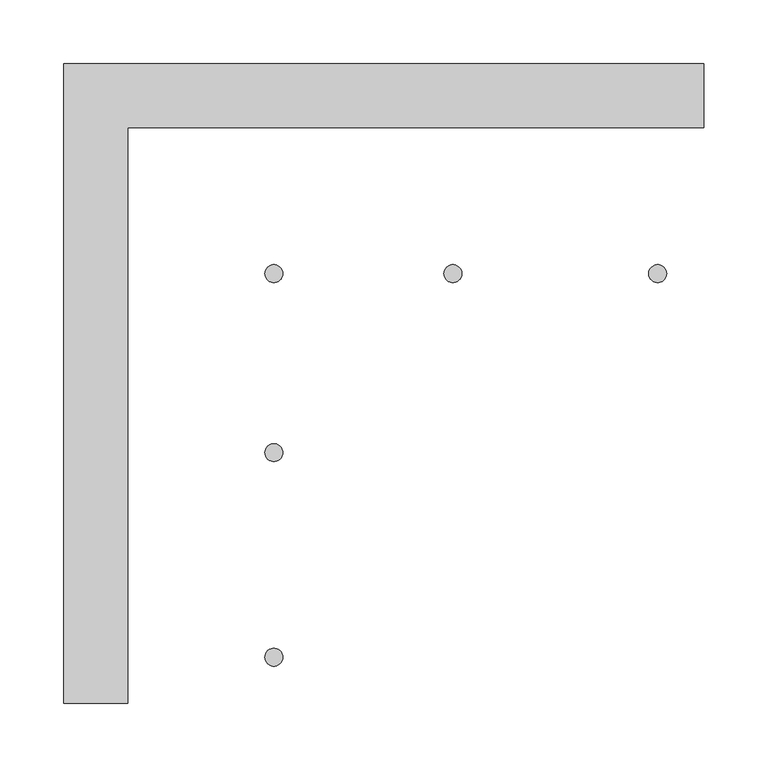
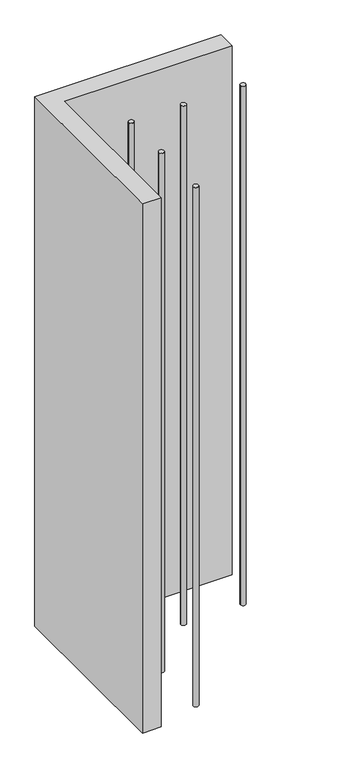
"""IFC4 building model written with IfcOpenShell, lengths in millimetres: proxy geometry."""

from ifc_helpers import new_model, si_unit, point, frame_2d, origin, origin_with_axes, place, context, project, spatial, polyline, circle_curve, trimmed, segment, composite_curve, outline, extrude, source, transform, mapped, element, save


def generic_models_e4650608(model_context):
    return source(origin(), model_context, "Body", "SweptSolid", [
        extrude(outline(composite_curve([segment(trimmed(circle_curve(frame_2d((12.0, 12.0)), 7.0), [point((19.0, 12.0))], [point((5.0, 12.0))], False, "CARTESIAN"), True, "CONTINUOUS"), segment(trimmed(circle_curve(frame_2d((12.0, 12.0)), 7.0), [point((5.0, 12.0))], [point((19.0, 12.0))], False, "CARTESIAN"), True, "CONTINUOUS")], self_intersect=False)), origin_with_axes(), (0.0, 0.0, 1.0), 1471.0846144),
        extrude(outline(composite_curve([segment(trimmed(circle_curve(frame_2d((140.0, 12.0)), 7.0), [point((133.0, 12.0))], [point((147.0, 12.0))], False, "CARTESIAN"), True, "CONTINUOUS"), segment(trimmed(circle_curve(frame_2d((140.0, 12.0)), 7.0), [point((147.0, 12.0))], [point((133.0, 12.0))], False, "CARTESIAN"), True, "CONTINUOUS")], self_intersect=False)), origin_with_axes(), (0.0, 0.0, 1.0), 1471.0846144),
        extrude(outline(composite_curve([segment(trimmed(circle_curve(frame_2d((12.0, 172.0)), 7.0), [point((5.0, 172.0))], [point((19.0, 172.0))], False, "CARTESIAN"), True, "CONTINUOUS"), segment(trimmed(circle_curve(frame_2d((12.0, 172.0)), 7.0), [point((19.0, 172.0))], [point((5.0, 172.0))], False, "CARTESIAN"), True, "CONTINUOUS")], self_intersect=False)), origin_with_axes(), (0.0, 0.0, 1.0), 1471.0846144),
        extrude(outline(composite_curve([segment(trimmed(circle_curve(frame_2d((140.0, 172.0)), 7.0), [point((133.0, 172.0))], [point((147.0, 172.0))], False, "CARTESIAN"), True, "CONTINUOUS"), segment(trimmed(circle_curve(frame_2d((140.0, 172.0)), 7.0), [point((147.0, 172.0))], [point((133.0, 172.0))], False, "CARTESIAN"), True, "CONTINUOUS")], self_intersect=False)), origin_with_axes(), (0.0, 0.0, 1.0), 1471.0846144),
        extrude(outline(composite_curve([segment(trimmed(circle_curve(frame_2d((12.0, 312.0)), 7.0), [point((19.0, 312.0))], [point((5.0, 312.0))], False, "CARTESIAN"), True, "CONTINUOUS"), segment(trimmed(circle_curve(frame_2d((12.0, 312.0)), 7.0), [point((5.0, 312.0))], [point((19.0, 312.0))], False, "CARTESIAN"), True, "CONTINUOUS")], self_intersect=False)), origin_with_axes(), (0.0, 0.0, 1.0), 1471.0846144),
        extrude(outline(composite_curve([segment(trimmed(circle_curve(frame_2d((140.0, 312.0)), 7.0), [point((133.0, 312.0))], [point((147.0, 312.0))], False, "CARTESIAN"), True, "CONTINUOUS"), segment(trimmed(circle_curve(frame_2d((140.0, 312.0)), 7.0), [point((147.0, 312.0))], [point((133.0, 312.0))], False, "CARTESIAN"), True, "CONTINUOUS")], self_intersect=False)), origin_with_axes(), (0.0, 0.0, 1.0), 1471.0846144),
        extrude(outline(composite_curve([segment(trimmed(circle_curve(frame_2d((12.0, 440.0)), 7.0), [point((5.0, 440.0))], [point((19.0, 440.0))], False, "CARTESIAN"), True, "CONTINUOUS"), segment(trimmed(circle_curve(frame_2d((12.0, 440.0)), 7.0), [point((19.0, 440.0))], [point((5.0, 440.0))], False, "CARTESIAN"), True, "CONTINUOUS")], self_intersect=False)), origin_with_axes(), (0.0, 0.0, 1.0), 1471.0846144),
        extrude(outline(composite_curve([segment(trimmed(circle_curve(frame_2d((140.0, 440.0)), 7.0), [point((147.0, 440.0))], [point((133.0, 440.0))], False, "CARTESIAN"), True, "CONTINUOUS"), segment(trimmed(circle_curve(frame_2d((140.0, 440.0)), 7.0), [point((133.0, 440.0))], [point((147.0, 440.0))], False, "CARTESIAN"), True, "CONTINUOUS")], self_intersect=False)), origin_with_axes(), (0.0, 0.0, 1.0), 1471.0846144),
        extrude(outline(composite_curve([segment(trimmed(circle_curve(frame_2d((280.0, 440.0)), 7.0), [point((287.0, 440.0))], [point((273.0, 440.0))], False, "CARTESIAN"), True, "CONTINUOUS"), segment(trimmed(circle_curve(frame_2d((280.0, 440.0)), 7.0), [point((273.0, 440.0))], [point((287.0, 440.0))], False, "CARTESIAN"), True, "CONTINUOUS")], self_intersect=False)), origin_with_axes(), (0.0, 0.0, 1.0), 1471.0846144),
        extrude(outline(composite_curve([segment(trimmed(circle_curve(frame_2d((280.0, 312.0)), 7.0), [point((273.0, 312.0))], [point((287.0, 312.0))], False, "CARTESIAN"), True, "CONTINUOUS"), segment(trimmed(circle_curve(frame_2d((280.0, 312.0)), 7.0), [point((287.0, 312.0))], [point((273.0, 312.0))], False, "CARTESIAN"), True, "CONTINUOUS")], self_intersect=False)), origin_with_axes(), (0.0, 0.0, 1.0), 1471.0846144),
        extrude(outline(composite_curve([segment(trimmed(circle_curve(frame_2d((440.0, 312.0)), 7.0), [point((447.0, 312.0))], [point((433.0, 312.0))], False, "CARTESIAN"), True, "CONTINUOUS"), segment(trimmed(circle_curve(frame_2d((440.0, 312.0)), 7.0), [point((433.0, 312.0))], [point((447.0, 312.0))], False, "CARTESIAN"), True, "CONTINUOUS")], self_intersect=False)), origin_with_axes(), (0.0, 0.0, 1.0), 1471.0846144),
        extrude(outline(composite_curve([segment(trimmed(circle_curve(frame_2d((440.0, 440.0)), 7.0), [point((447.0, 440.0))], [point((433.0, 440.0))], False, "CARTESIAN"), True, "CONTINUOUS"), segment(trimmed(circle_curve(frame_2d((440.0, 440.0)), 7.0), [point((433.0, 440.0))], [point((447.0, 440.0))], False, "CARTESIAN"), True, "CONTINUOUS")], self_intersect=False)), origin_with_axes(), (0.0, 0.0, 1.0), 1471.0846144),
        extrude(outline(polyline([(-24.0, -24.0), (-24.0, 476.0), (476.0, 476.0), (476.0, 426.0), (26.0, 426.0), (26.0, -24.0), (-24.0, -24.0)])), origin_with_axes(), (0.0, 0.0, 1.0), 1499.875),
    ])


if __name__ == "__main__":
    model = new_model("IFC4")
    model_context = context("Model", 3, world=origin())
    ifc_project = project(units=[si_unit("LENGTHUNIT", "METRE", prefix="MILLI")], contexts=[model_context])
    site = spatial("IfcSite", under=ifc_project)
    building = spatial("IfcBuilding", under=site)
    placement = place(None, origin())
    generic_models_shape = generic_models_e4650608(model_context)
    element("IfcBuildingElementProxy", 1, Name="Generic Models", at=placement, inside=building, context=model_context, shape_type="MappedRepresentation", body=[
        mapped(generic_models_shape, transform((0.0, 0.0, 0.0), x_axis=(1.0, 0.0, 0.0), y_axis=(0.0, 1.0, 0.0), z_axis=(0.0, 0.0, 1.0))),
    ])
    save(model, "model.ifc")
